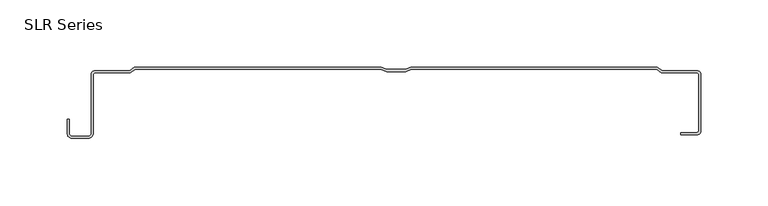
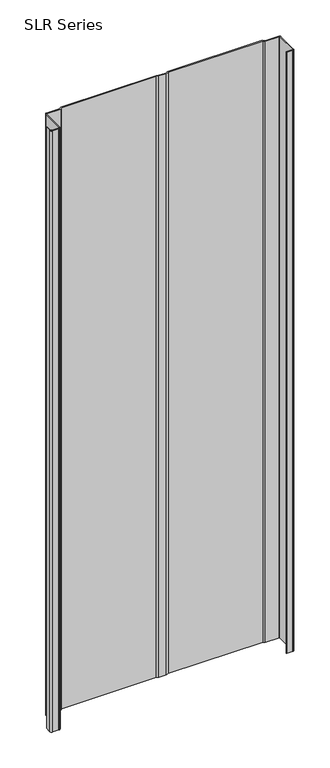
"""IFC4 building model written with IfcOpenShell, lengths in millimetres: plate geometry, SLR Series."""

from ifc_helpers import new_model, si_unit, point, frame_2d, origin, origin_with_axes, place, context, project, spatial, polyline, circle_curve, trimmed, segment, composite_curve, outline, extrude, source, transform, mapped, element, save


def slr_series_572df4c0(model_context):
    return source(origin(), model_context, "Body", "SweptSolid", [
        extrude(outline(composite_curve([segment(polyline([(13.844599, -1.5875), (9.7222899, -3.2364237), (-4.6611567, -3.2364237), (-8.7834659, -1.5875), (-191.8345648, -1.5875), (-195.4142704, -4.2722792), (-221.8338236, -4.2722792)]), True, "CONTINUOUS"), segment(trimmed(circle_curve(frame_2d((-221.8338236, -5.3846124)), 1.1123332), [point((-221.8338236, -4.2722792))], [point((-222.9461568, -5.3846124))], True, "CARTESIAN"), True, "CONTINUOUS"), segment(polyline([(-222.9461568, -5.3846124), (-222.9461568, -49.322367)]), True, "CONTINUOUS"), segment(trimmed(circle_curve(frame_2d((-226.4785173, -49.322367)), 3.5323605), [point((-222.9461568, -49.322367))], [point((-226.4785173, -52.8547275))], False, "CARTESIAN"), True, "CONTINUOUS"), segment(polyline([(-226.4785173, -52.8547275), (-238.8643672, -52.8547275)]), True, "CONTINUOUS"), segment(trimmed(circle_curve(frame_2d((-238.8643672, -49.322367)), 3.5323605), [point((-238.8643672, -52.8547275))], [point((-242.3967277, -49.322367))], False, "CARTESIAN"), True, "CONTINUOUS"), segment(polyline([(-242.3967277, -49.322367), (-242.3967277, -38.9158598), (-240.8437099, -38.9158598), (-240.8437099, -49.322367)]), True, "CONTINUOUS"), segment(trimmed(circle_curve(frame_2d((-238.8643672, -49.322367)), 1.9793427), [point((-240.8437099, -49.322367))], [point((-238.8643672, -51.3017098))], True, "CARTESIAN"), True, "CONTINUOUS"), segment(polyline([(-238.8643672, -51.3017098), (-226.4785173, -51.3017098)]), True, "CONTINUOUS"), segment(trimmed(circle_curve(frame_2d((-226.4785173, -49.322367)), 1.9793427), [point((-226.4785173, -51.3017098))], [point((-224.4991745, -49.322367))], True, "CARTESIAN"), True, "CONTINUOUS"), segment(polyline([(-224.4991745, -49.322367), (-224.4991745, -5.4093769)]), True, "CONTINUOUS"), segment(trimmed(circle_curve(frame_2d((-221.7739184, -5.4093769)), 2.7252562), [point((-224.4991745, -5.4093769))], [point((-221.8338236, -2.6847792))], False, "CARTESIAN"), True, "CONTINUOUS"), segment(polyline([(-221.8338236, -2.6847792), (-195.943437, -2.6847792), (-192.3637314, 0.0), (-8.4777413, 0.0), (-4.3554322, -1.6489237), (9.4165653, -1.6489237), (13.5388745, 0.0), (196.8992721, 0.0), (200.4789777, -2.6847792), (226.5762298, -2.6847792)]), True, "CONTINUOUS"), segment(trimmed(circle_curve(frame_2d((226.627246, -5.4070553)), 2.722754), [point((226.5762298, -2.6847792))], [point((229.35, -5.4070553))], False, "CARTESIAN"), True, "CONTINUOUS"), segment(polyline([(229.35, -5.4070553), (229.35, -47.5057747)]), True, "CONTINUOUS"), segment(trimmed(circle_curve(frame_2d((226.5762298, -47.5057747)), 2.7737702), [point((229.35, -47.5057747))], [point((226.5762298, -50.2795449))], False, "CARTESIAN"), True, "CONTINUOUS"), segment(polyline([(226.5762298, -50.2795449), (214.4969081, -50.2795449), (214.4969081, -48.6618105), (226.5762298, -48.6618105)]), True, "CONTINUOUS"), segment(trimmed(circle_curve(frame_2d((226.5762298, -47.5057747)), 1.1560358), [point((226.5762298, -48.6618105))], [point((227.7322657, -47.5057747))], True, "CARTESIAN"), True, "CONTINUOUS"), segment(polyline([(227.7322657, -47.5057747), (227.7322657, -5.428315)]), True, "CONTINUOUS"), segment(trimmed(circle_curve(frame_2d((226.5762298, -5.428315)), 1.1560358), [point((227.7322657, -5.428315))], [point((226.5762298, -4.2722792))], True, "CARTESIAN"), True, "CONTINUOUS"), segment(polyline([(226.5762298, -4.2722792), (199.9498111, -4.2722792), (196.3701055, -1.5875), (13.844599, -1.5875)]), True, "CONTINUOUS")], self_intersect=False)), origin_with_axes(), (0.0, 0.0, 1.0), 1228.3559792),
    ])


if __name__ == "__main__":
    model = new_model("IFC4")
    model_context = context("Model", 3, world=origin())
    ifc_project = project(units=[si_unit("LENGTHUNIT", "METRE", prefix="MILLI")], contexts=[model_context])
    site = spatial("IfcSite", under=ifc_project)
    building = spatial("IfcBuilding", under=site)
    placement = place(None, origin())
    slr_series_shape = slr_series_572df4c0(model_context)
    element("IfcPlate", 1, ObjectType="SLR Series", at=placement, inside=building, context=model_context, shape_type="MappedRepresentation", body=[
        mapped(slr_series_shape, transform((0.0, 0.0, 0.0), x_axis=(1.0, 0.0, 0.0), y_axis=(0.0, 1.0, 0.0), z_axis=(0.0, 0.0, 1.0))),
    ])
    save(model, "model.ifc")
